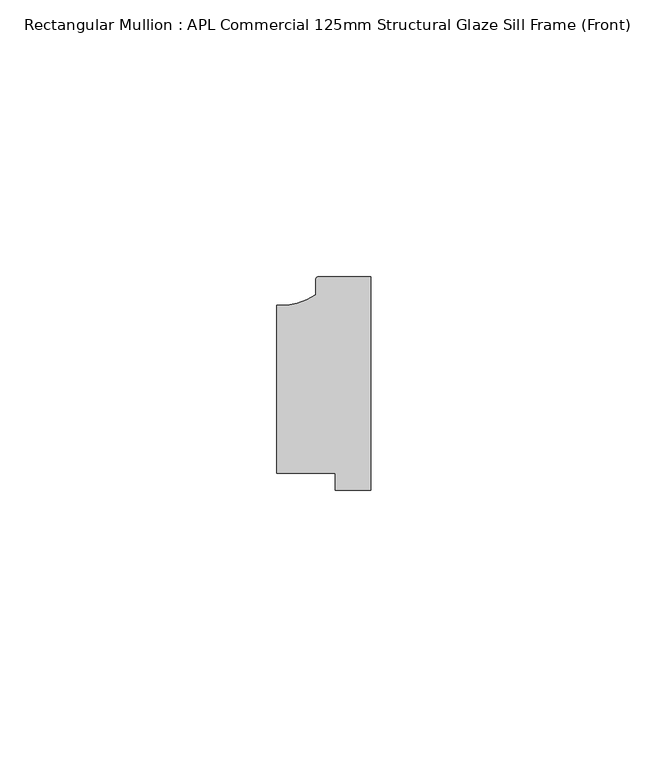
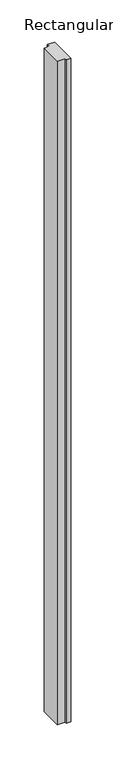
"""IFC4 building model written with IfcOpenShell, lengths in millimetres: member geometry, Rectangular Mullion : APL Commercial 125mm Structural Glaze Sill Frame (Front)."""

from ifc_helpers import new_model, si_unit, point, frame, frame_2d, origin, place, context, project, spatial, polyline, circle_curve, trimmed, segment, composite_curve, outline, extrude, source, transform, mapped, element, save


def rectangular_mullion_apl_commercial_125mm_structural_glaze_fc128028(model_context):
    return source(origin(), model_context, "Body", "SweptSolid", [
        extrude(outline(composite_curve([segment(trimmed(circle_curve(frame_2d((-16.1098048, 25.7977481)), 10.4563907), [point((-16.999942, 15.3793144))], [point((-10.0, 17.3120901))], True, "CARTESIAN"), True, "CONTINUOUS"), segment(polyline([(-10.0, 17.3120901), (-10.0, 19.9980675)]), True, "CONTINUOUS"), segment(trimmed(circle_curve(frame_2d((-9.5000029, 19.99978)), 0.5), [point((-10.0, 19.9980675))], [point((-9.5000029, 20.49978))], False, "CARTESIAN"), True, "CONTINUOUS"), segment(polyline([(-9.5000029, 20.49978), (0.0, 20.49978), (0.0, -18.0281616), (-6.5000029, -18.0281616), (-6.5000029, -15.0004332), (-16.999942, -15.0004332), (-16.999942, 15.3793144)]), True, "CONTINUOUS")], self_intersect=False)), frame((0.0, 0.0, -960.2963594), z_axis=(0.0, 0.0, 1.0), x_axis=(1.0, 0.0, 0.0)), (0.0, 0.0, 1.0), 960.2963594),
    ])


if __name__ == "__main__":
    model = new_model("IFC4")
    model_context = context("Model", 3, world=origin())
    ifc_project = project(units=[si_unit("LENGTHUNIT", "METRE", prefix="MILLI")], contexts=[model_context])
    site = spatial("IfcSite", under=ifc_project)
    building = spatial("IfcBuilding", under=site)
    placement = place(None, origin())
    rectangular_mullion_apl_commercial_125mm_structural_glaze_shape = rectangular_mullion_apl_commercial_125mm_structural_glaze_fc128028(model_context)
    element("IfcMember", 1, ObjectType="Rectangular Mullion : APL Commercial 125mm Structural Glaze Sill Frame (Front)", at=placement, inside=building, context=model_context, shape_type="MappedRepresentation", body=[
        mapped(rectangular_mullion_apl_commercial_125mm_structural_glaze_shape, transform((0.0, 0.0, 0.0), x_axis=(1.0, 0.0, 0.0), y_axis=(0.0, 1.0, 0.0), z_axis=(0.0, 0.0, 1.0))),
    ])
    save(model, "model.ifc")
